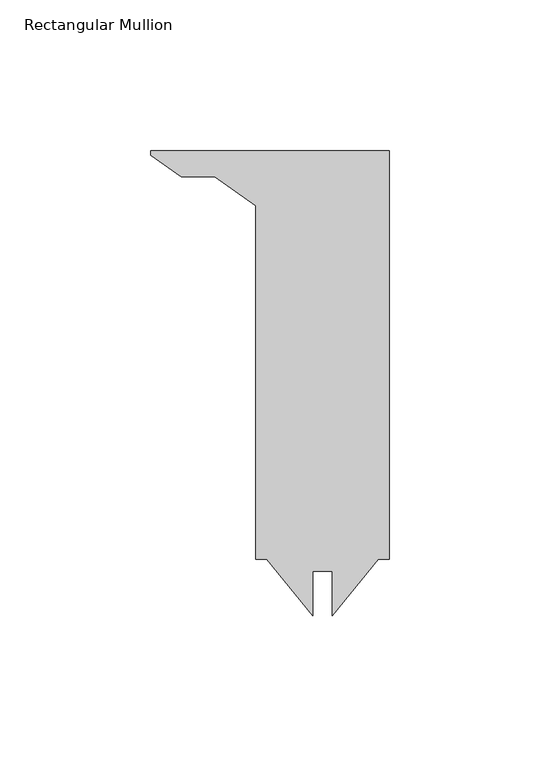
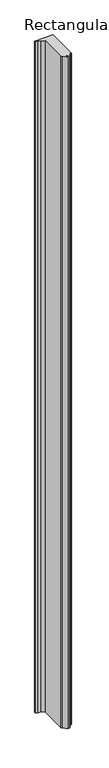
"""IFC4 building model written with IfcOpenShell, lengths in millimetres: member geometry, Rectangular Mullion."""

import ifcopenshell
import ifcopenshell.guid

model = None  # the IFC model being written
_history = None  # IfcOwnerHistory: only IFC2X3 demands one
_inside = {}  # id of a spatial element -> (the spatial element, [elements in it])
_under = {}  # id of a project, library or spatial element -> (it, [spatial elements below it])
_declared = {}  # id of a project -> (the project, [libraries it declares])
_typed = {}  # id of a type object -> (the type object, [elements of that type])
_made_of = {}  # id of a material, layer set ... -> (it, [elements and type objects made of it])


def new_model(schema):
    """Start an empty IFC model of exactly this schema.

    Asked for "IFC4X3", IfcOpenShell would pick the latest addendum, in which some entities
    have other attributes; the version numbers below select the first issue.
    IFC2X3 requires an IfcOwnerHistory on every rooted entity: one is made here for all.
    """
    global model, _history
    if schema == "IFC4X3":
        model = ifcopenshell.file(schema_version=(4, 3, 0, 0))
    else:
        model = ifcopenshell.file(schema=schema)
    _inside.clear()
    _under.clear()
    _declared.clear()
    _typed.clear()
    _made_of.clear()
    _history = None
    if model.schema == "IFC2X3":
        org = make("IfcOrganization", Name="unknown")
        user = make(
            "IfcPersonAndOrganization",
            ThePerson=make("IfcPerson", FamilyName="unknown"),
            TheOrganization=org,
        )
        app = make(
            "IfcApplication",
            ApplicationDeveloper=org,
            Version="unknown",
            ApplicationFullName="unknown",
            ApplicationIdentifier="unknown",
        )
        _history = make(
            "IfcOwnerHistory",
            OwningUser=user,
            OwningApplication=app,
            ChangeAction="ADDED",
            CreationDate=0,
        )
    return model


def make(cls, **values):
    """One entity of the class cls with the attributes given. An attribute that is None is left unset."""
    return model.create_entity(
        cls, **{name: value for name, value in values.items() if value is not None}
    )


def rooted(cls, **values):
    """An entity with a GlobalId (a new one), such as an element, a storey or a relation."""
    return make(cls, GlobalId=ifcopenshell.guid.new(), OwnerHistory=_history, **values)


def si_unit(unit_type, name, prefix=None):
    """IfcSIUnit, for example si_unit("LENGTHUNIT", "METRE", prefix="MILLI")."""
    return make("IfcSIUnit", UnitType=unit_type, Prefix=prefix, Name=name)


def assignment(units):
    """IfcUnitAssignment: the units of a project."""
    return None if units is None else make("IfcUnitAssignment", Units=units)


def point(xyz):
    """IfcCartesianPoint."""
    return None if xyz is None else make("IfcCartesianPoint", Coordinates=xyz)


def direction(xyz):
    """IfcDirection."""
    return None if xyz is None else make("IfcDirection", DirectionRatios=xyz)


def frame(location, z_axis=None, x_axis=None):
    """IfcAxis2Placement3D, a coordinate frame: its origin and axes. An axis left out is left unset."""
    return make(
        "IfcAxis2Placement3D",
        Location=point(location),
        Axis=direction(z_axis),
        RefDirection=direction(x_axis),
    )


def origin():
    """The frame at (0, 0, 0) with its axes left unset."""
    return frame((0.0, 0.0, 0.0))


def place(relative_to, where):
    """IfcLocalPlacement: puts the frame where relative to a parent placement (None: the world)."""
    return make(
        "IfcLocalPlacement", PlacementRelTo=relative_to, RelativePlacement=where
    )


def context(
    kind, dimensions, precision=None, world=None, true_north=None, identifier=None
):
    """IfcGeometricRepresentationContext, for example the 3D "Model" context."""
    return make(
        "IfcGeometricRepresentationContext",
        ContextIdentifier=identifier,
        ContextType=kind,
        CoordinateSpaceDimension=dimensions,
        Precision=precision,
        WorldCoordinateSystem=world,
        TrueNorth=true_north,
    )


def project(units=None, contexts=None):
    """IfcProject with its units and contexts."""
    return rooted(
        "IfcProject",
        Name="project",
        RepresentationContexts=contexts,
        UnitsInContext=assignment(units),
    )


def spatial(cls, under=None, at=None, **own):
    """A site, building, storey or space (cls), placed at a placement, below another one or the project."""
    s = rooted(cls, ObjectPlacement=at, **own)
    if under is not None:
        _under.setdefault(under.id(), (under, []))[1].append(s)
    return s


def polyline(points):
    """IfcPolyline through the points."""
    return make("IfcPolyline", Points=[point(p) for p in points])


def outline(outer, holes=None, kind="AREA"):
    """IfcArbitraryClosedProfileDef: a profile drawn as a closed curve; with holes, ...WithVoids."""
    if holes is None:
        return make("IfcArbitraryClosedProfileDef", ProfileType=kind, OuterCurve=outer)
    return make(
        "IfcArbitraryProfileDefWithVoids",
        ProfileType=kind,
        OuterCurve=outer,
        InnerCurves=holes,
    )


def extrude(swept, where, along, depth):
    """IfcExtrudedAreaSolid: the profile swept, set in the frame where, extruded along a direction by depth."""
    return make(
        "IfcExtrudedAreaSolid",
        SweptArea=swept,
        Position=where,
        ExtrudedDirection=direction(along),
        Depth=depth,
    )


def shape(context_of_items, identifier, shape_type, items):
    """IfcShapeRepresentation: the items that make up one representation, for example the "Body"."""
    return make(
        "IfcShapeRepresentation",
        ContextOfItems=context_of_items,
        RepresentationIdentifier=identifier,
        RepresentationType=shape_type,
        Items=items,
    )


def source(mapping_origin, context_of_items, identifier, shape_type, items):
    """IfcRepresentationMap: a shape defined once, which mapped items show again and again."""
    return make(
        "IfcRepresentationMap",
        MappingOrigin=mapping_origin,
        MappedRepresentation=shape(context_of_items, identifier, shape_type, items),
    )


def transform(
    local_origin,
    x_axis=None,
    y_axis=None,
    z_axis=None,
    scale=None,
    scale2=None,
    scale3=None,
    uniform=True,
):
    """IfcCartesianTransformationOperator3D, or its non-uniform kind. x_axis, y_axis, z_axis: its Axis1, 2, 3."""
    if uniform:
        return make(
            "IfcCartesianTransformationOperator3D",
            Axis1=direction(x_axis),
            Axis2=direction(y_axis),
            LocalOrigin=point(local_origin),
            Scale=scale,
            Axis3=direction(z_axis),
        )
    return make(
        "IfcCartesianTransformationOperator3DnonUniform",
        Axis1=direction(x_axis),
        Axis2=direction(y_axis),
        LocalOrigin=point(local_origin),
        Scale=scale,
        Axis3=direction(z_axis),
        Scale2=scale2,
        Scale3=scale3,
    )


def mapped(mapping_source, mapping_target):
    """IfcMappedItem: shows the shape of a source again, moved by a transform."""
    return make(
        "IfcMappedItem", MappingSource=mapping_source, MappingTarget=mapping_target
    )


def made_of(thing, what):
    """Note that an element or type object is made of a material, layer set ...; save() writes the relation."""
    if what is not None:
        _made_of.setdefault(what.id(), (what, []))[1].append(thing)
    return thing


def element(
    cls,
    number,
    at=None,
    inside=None,
    cuts=None,
    type_object=None,
    material=None,
    context=None,
    identifier="Body",
    shape_type=None,
    held_by="IfcProductDefinitionShape",
    body=None,
    shapes=None,
    **own,
):
    """One element of the class cls, such as IfcWall. Its Tag is "e" and its number.

    at: its placement. inside: the storey or other place that contains it. cuts: it is an
    opening in that element (IfcRelVoidsElement). A single representation is given by context,
    identifier, shape_type and body (its items); several are given by shapes. held_by: the class
    of the entity that holds the representations. save() writes the other relations.
    """
    e = rooted(cls, Tag="e%d" % number, ObjectPlacement=at, **own)
    if body is not None:
        shapes = [shape(context, identifier, shape_type, body)]
    if shapes is not None:
        e.Representation = make(held_by, Representations=shapes)
    if inside is not None:
        _inside.setdefault(inside.id(), (inside, []))[1].append(e)
    if cuts is not None:
        rooted(
            "IfcRelVoidsElement", RelatingBuildingElement=cuts, RelatedOpeningElement=e
        )
    if type_object is not None:
        _typed.setdefault(type_object.id(), (type_object, []))[1].append(e)
    return made_of(e, material)


def aggregate(whole, parts):
    """IfcRelAggregates: a whole, such as a stair, and the parts it consists of."""
    return rooted("IfcRelAggregates", RelatingObject=whole, RelatedObjects=parts)


def save(model, path):
    """Write the relations noted so far, then the file.

    IfcRelAggregates (storeys below a building ...), IfcRelContainedInSpatialStructure (elements
    in a storey), IfcRelDefinesByType, IfcRelAssociatesMaterial and IfcRelDeclares: one each for
    every whole, place, type object, material and project.
    """
    for whole, parts in _under.values():
        aggregate(whole, parts)
    for where, things in _inside.values():
        rooted(
            "IfcRelContainedInSpatialStructure",
            RelatedElements=things,
            RelatingStructure=where,
        )
    for kind, things in _typed.values():
        rooted("IfcRelDefinesByType", RelatedObjects=things, RelatingType=kind)
    for what, things in _made_of.values():
        rooted("IfcRelAssociatesMaterial", RelatedObjects=things, RelatingMaterial=what)
    for by, libraries in _declared.values():
        rooted("IfcRelDeclares", RelatingContext=by, RelatedDefinitions=libraries)
    model.write(path)


def rectangular_mullion_71ab3d35(model_context):
    return source(origin(), model_context, "Body", "SweptSolid", [
        extrude(outline(polyline([(-79.1690763, 66.675), (0.0, 66.675), (0.0, -69.0372), (-3.579164, -69.0372), (-18.9404532, -87.7601028), (-18.9404532, -72.9996), (-25.2739154, -72.9996), (-25.2739154, -87.7377144), (-40.616836, -69.0372), (-44.196, -69.0372), (-44.196, 48.3737861), (-57.8633249, 57.94375), (-68.9486065, 57.94375), (-79.1690763, 65.1002), (-79.1690763, 66.675)])), frame((0.0, 0.0, -3048.0), z_axis=(0.0, 0.0, 1.0), x_axis=(1.0, 0.0, 0.0)), (0.0, 0.0, 1.0), 3048.0),
    ])


if __name__ == "__main__":
    model = new_model("IFC4")
    model_context = context("Model", 3, world=origin())
    ifc_project = project(units=[si_unit("LENGTHUNIT", "METRE", prefix="MILLI")], contexts=[model_context])
    site = spatial("IfcSite", under=ifc_project)
    building = spatial("IfcBuilding", under=site)
    placement = place(None, origin())
    rectangular_mullion_shape = rectangular_mullion_71ab3d35(model_context)
    element("IfcMember", 1, ObjectType="Rectangular Mullion", at=placement, inside=building, context=model_context, shape_type="MappedRepresentation", body=[
        mapped(rectangular_mullion_shape, transform((0.0, 0.0, 0.0), x_axis=(1.0, 0.0, 0.0), y_axis=(0.0, 1.0, 0.0), z_axis=(0.0, 0.0, 1.0))),
    ])
    save(model, "model.ifc")
